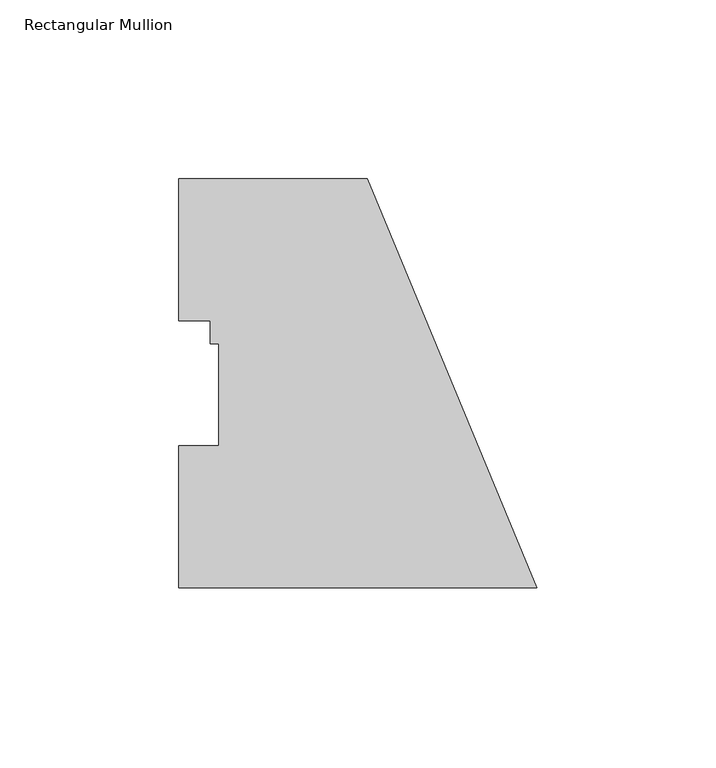
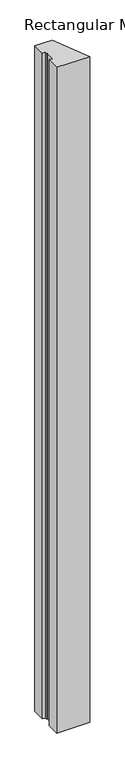
"""IFC4 building model written with IfcOpenShell, lengths in millimetres: member geometry, Rectangular Mullion."""

from ifc_helpers import new_model, si_unit, frame, origin, place, context, project, spatial, polyline, outline, extrude, source, transform, mapped, element, save


def rectangular_mullion_4b0fd7cf(model_context):
    return source(origin(), model_context, "Body", "SweptSolid", [
        extrude(outline(polyline([(0.0, -0.028575), (-100.0125, -0.028575), (-100.0125, 39.646225), (-88.9, 39.646225), (-88.9, 68.246625), (-91.2749, 68.246625), (-91.2749, 74.596625), (-100.0125, 74.596625), (-100.0125, 114.271425), (-47.3446102, 114.271425), (0.0, -0.028575)])), frame((0.0, 0.0, -2133.6), z_axis=(0.0, 0.0, 1.0), x_axis=(1.0, 0.0, 0.0)), (0.0, 0.0, 1.0), 2133.6),
    ])


if __name__ == "__main__":
    model = new_model("IFC4")
    model_context = context("Model", 3, world=origin())
    ifc_project = project(units=[si_unit("LENGTHUNIT", "METRE", prefix="MILLI")], contexts=[model_context])
    site = spatial("IfcSite", under=ifc_project)
    building = spatial("IfcBuilding", under=site)
    placement = place(None, origin())
    rectangular_mullion_shape = rectangular_mullion_4b0fd7cf(model_context)
    element("IfcMember", 1, ObjectType="Rectangular Mullion", at=placement, inside=building, context=model_context, shape_type="MappedRepresentation", body=[
        mapped(rectangular_mullion_shape, transform((0.0, 0.0, 0.0), x_axis=(1.0, 0.0, 0.0), y_axis=(0.0, 1.0, 0.0), z_axis=(0.0, 0.0, 1.0))),
    ])
    save(model, "model.ifc")
